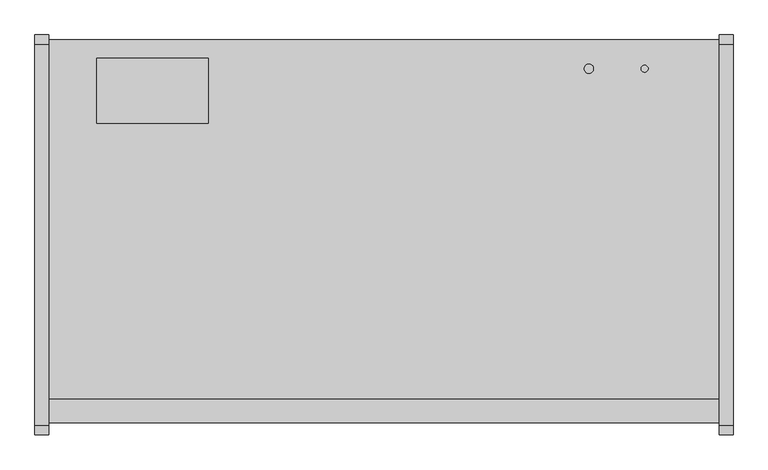
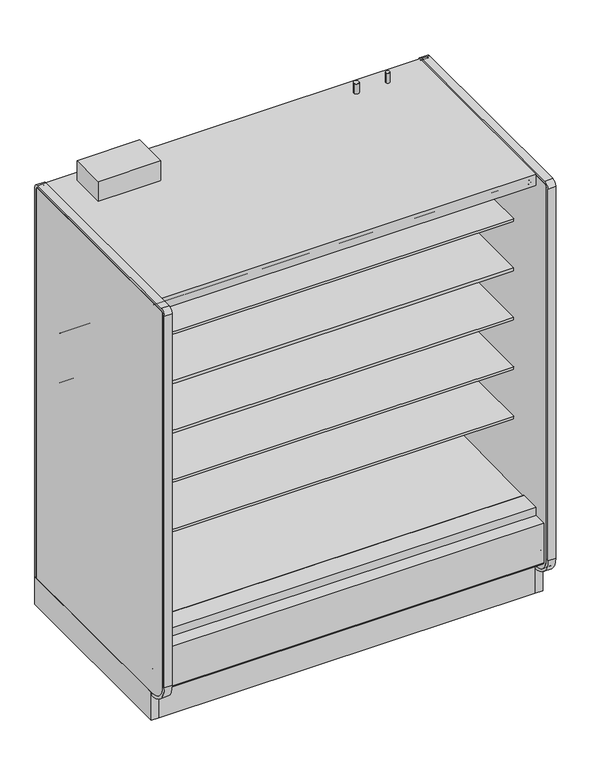
"""IFC4 building model written with IfcOpenShell, lengths in millimetres: proxy geometry."""

from ifc_helpers import new_model, si_unit, point, frame, frame_2d, origin, origin_with_axes, place, context, project, spatial, polyline, circle_curve, trimmed, segment, composite_curve, outline, extrude, source, transform, mapped, element, save
from ifc_brep_helpers import plane_surface, cylinder_surface, revolved_surface, advanced_brep


def mechanical_equipment_5739b397(model_context):
    return source(origin(), model_context, "Body", "SolidModel", [
        extrude(outline(composite_curve([segment(trimmed(circle_curve(frame_2d((1625.6, -428.3821273)), 9.525), [point((1616.075, -428.3821273))], [point((1635.125, -428.3821273))], False, "CARTESIAN"), True, "CONTINUOUS"), segment(trimmed(circle_curve(frame_2d((1625.6, -428.3821273)), 9.525), [point((1635.125, -428.3821273))], [point((1616.075, -428.3821273))], False, "CARTESIAN"), True, "CONTINUOUS")], self_intersect=False)), frame((0.0, 0.0, 2160.0010137), z_axis=(0.0, 0.0, 1.0), x_axis=(1.0, 0.0, 0.0)), (0.0, 0.0, 1.0), 50.8),
        extrude(outline(composite_curve([segment(trimmed(circle_curve(frame_2d((1473.2, -428.3821273)), 12.7), [point((1460.5, -428.3821273))], [point((1485.9, -428.3821273))], False, "CARTESIAN"), True, "CONTINUOUS"), segment(trimmed(circle_curve(frame_2d((1473.2, -428.3821273)), 12.7), [point((1485.9, -428.3821273))], [point((1460.5, -428.3821273))], False, "CARTESIAN"), True, "CONTINUOUS")], self_intersect=False)), frame((0.0, 0.0, 2160.0010137), z_axis=(0.0, 0.0, 1.0), x_axis=(1.0, 0.0, 0.0)), (0.0, 0.0, 1.0), 50.8),
        extrude(outline(composite_curve([segment(polyline([(-1139.652044, 788.1304004), (-1139.652044, 801.6241504), (-453.852044, 801.6241504), (-453.852044, 700.8188557), (-465.2157046, 700.5975577)]), True, "CONTINUOUS"), segment(trimmed(circle_curve(frame_2d((-465.7036503, 725.6535856)), 25.0607786), [point((-465.2157046, 700.5975577))], [point((-481.6109729, 706.2886764))], False, "CARTESIAN"), True, "CONTINUOUS"), segment(polyline([(-481.6109729, 706.2886764), (-519.8326735, 737.3719449)]), True, "CONTINUOUS"), segment(trimmed(circle_curve(frame_2d((-559.8971466, 688.1064601)), 63.5), [point((-519.8326735, 737.3719449))], [point((-553.0441372, 751.2355839))], True, "CARTESIAN"), True, "CONTINUOUS"), segment(polyline([(-553.0441372, 751.2355839), (-968.6518104, 783.846074), (-968.6518104, 788.1304004), (-1139.652044, 788.1304004)]), True, "CONTINUOUS")], self_intersect=False)), frame((0.0, 0.0, 0.0), z_axis=(1.0, 0.0, 0.0), x_axis=(0.0, 1.0, 0.0)), (0.0, 0.0, 1.0), 1828.8),
        extrude(outline(composite_curve([segment(polyline([(-1139.652044, 1042.1304004), (-1139.652044, 1055.6241504), (-453.852044, 1055.6241504), (-453.852044, 954.8188557), (-465.2157046, 954.5975577)]), True, "CONTINUOUS"), segment(trimmed(circle_curve(frame_2d((-465.7036503, 979.6535856)), 25.0607786), [point((-465.2157046, 954.5975577))], [point((-481.6109729, 960.2886764))], False, "CARTESIAN"), True, "CONTINUOUS"), segment(polyline([(-481.6109729, 960.2886764), (-519.8326735, 991.3719449)]), True, "CONTINUOUS"), segment(trimmed(circle_curve(frame_2d((-559.8971466, 942.1064601)), 63.5), [point((-519.8326735, 991.3719449))], [point((-553.0441372, 1005.2355839))], True, "CARTESIAN"), True, "CONTINUOUS"), segment(polyline([(-553.0441372, 1005.2355839), (-968.6518104, 1037.846074), (-968.6518104, 1042.1304004), (-1139.652044, 1042.1304004)]), True, "CONTINUOUS")], self_intersect=False)), frame((0.0, 0.0, 0.0), z_axis=(1.0, 0.0, 0.0), x_axis=(0.0, 1.0, 0.0)), (0.0, 0.0, 1.0), 1828.8),
        extrude(outline(composite_curve([segment(polyline([(-1139.652044, 1296.1304004), (-1139.652044, 1309.6241504), (-453.852044, 1309.6241504), (-453.852044, 1208.8188557), (-465.2157046, 1208.5975577)]), True, "CONTINUOUS"), segment(trimmed(circle_curve(frame_2d((-465.7036503, 1233.6535856)), 25.0607786), [point((-465.2157046, 1208.5975577))], [point((-481.6109729, 1214.2886764))], False, "CARTESIAN"), True, "CONTINUOUS"), segment(polyline([(-481.6109729, 1214.2886764), (-519.8326735, 1245.3719449)]), True, "CONTINUOUS"), segment(trimmed(circle_curve(frame_2d((-559.8971466, 1196.1064601)), 63.5), [point((-519.8326735, 1245.3719449))], [point((-553.0441372, 1259.2355839))], True, "CARTESIAN"), True, "CONTINUOUS"), segment(polyline([(-553.0441372, 1259.2355839), (-968.6518104, 1291.846074), (-968.6518104, 1296.1304004), (-1139.652044, 1296.1304004)]), True, "CONTINUOUS")], self_intersect=False)), frame((0.0, 0.0, 0.0), z_axis=(1.0, 0.0, 0.0), x_axis=(0.0, 1.0, 0.0)), (0.0, 0.0, 1.0), 1828.8),
        extrude(outline(composite_curve([segment(polyline([(-1139.652044, 1550.1304004), (-1139.652044, 1563.6241504), (-453.852044, 1563.6241504), (-453.852044, 1462.8188557), (-465.2157046, 1462.5975577)]), True, "CONTINUOUS"), segment(trimmed(circle_curve(frame_2d((-465.7036503, 1487.6535856)), 25.0607786), [point((-465.2157046, 1462.5975577))], [point((-481.6109729, 1468.2886764))], False, "CARTESIAN"), True, "CONTINUOUS"), segment(polyline([(-481.6109729, 1468.2886764), (-519.8326735, 1499.3719449)]), True, "CONTINUOUS"), segment(trimmed(circle_curve(frame_2d((-559.8971466, 1450.1064601)), 63.5), [point((-519.8326735, 1499.3719449))], [point((-553.0441372, 1513.2355839))], True, "CARTESIAN"), True, "CONTINUOUS"), segment(polyline([(-553.0441372, 1513.2355839), (-968.6518104, 1545.846074), (-968.6518104, 1550.1304004), (-1139.652044, 1550.1304004)]), True, "CONTINUOUS")], self_intersect=False)), frame((0.0, 0.0, 0.0), z_axis=(1.0, 0.0, 0.0), x_axis=(0.0, 1.0, 0.0)), (0.0, 0.0, 1.0), 1828.8),
        extrude(outline(composite_curve([segment(polyline([(-632.8965773, 2077.3701079), (-1202.1056471, 2077.3701079), (-1202.0779553, 2079.0129758), (-1258.0451873, 2083.4966948), (-1258.0451873, 2075.9223079)]), True, "CONTINUOUS"), segment(trimmed(circle_curve(frame_2d((-1260.5851873, 2075.9223079)), 2.54), [point((-1258.0451873, 2075.9223079))], [point((-1260.5851873, 2073.3823079))], False, "CARTESIAN"), True, "CONTINUOUS"), segment(polyline([(-1260.5851873, 2073.3823079), (-1269.8053873, 2073.3823079)]), True, "CONTINUOUS"), segment(trimmed(circle_curve(frame_2d((-1269.8053873, 2075.9223079)), 2.54), [point((-1269.8053873, 2073.3823079))], [point((-1272.3453873, 2075.9223079))], False, "CARTESIAN"), True, "CONTINUOUS"), segment(polyline([(-1272.3453873, 2075.9223079), (-1272.3453873, 2092.9469554)]), True, "CONTINUOUS"), segment(trimmed(circle_curve(frame_2d((-1274.8853873, 2092.9469554)), 2.54), [point((-1272.3453873, 2092.9469554))], [point((-1274.8853873, 2095.4869554))], True, "CARTESIAN"), True, "CONTINUOUS"), segment(polyline([(-1274.8853873, 2095.4869554), (-1288.8553873, 2095.4869554)]), True, "CONTINUOUS"), segment(trimmed(circle_curve(frame_2d((-1288.8553873, 2098.0269554)), 2.54), [point((-1288.8553873, 2095.4869554))], [point((-1291.3953873, 2098.0269554))], False, "CARTESIAN"), True, "CONTINUOUS"), segment(polyline([(-1291.3953873, 2098.0269554), (-1291.3953873, 2102.7701079), (-402.3474764, 2102.7701079), (-402.3474764, 418.2554484), (-453.852044, 418.2554484), (-453.852044, 2054.7594138)]), True, "CONTINUOUS"), segment(trimmed(circle_curve(frame_2d((-476.4627381, 2054.7594138)), 22.6106941), [point((-453.852044, 2054.7594138))], [point((-476.4627381, 2077.3701079))], True, "CARTESIAN"), True, "CONTINUOUS"), segment(polyline([(-476.4627381, 2077.3701079), (-632.8965773, 2077.3701079)]), True, "CONTINUOUS")], self_intersect=False)), frame((0.0, 0.0, 0.0), z_axis=(1.0, 0.0, 0.0), x_axis=(0.0, 1.0, 0.0)), (0.0, 0.0, 1.0), 1828.8),
        extrude(outline(polyline([(673.1, -1207.3278954), (673.1, -1296.2278954), (368.3, -1296.2278954), (368.3, -1207.3278954), (673.1, -1207.3278954)])), frame((0.0, 0.0, 44.45), z_axis=(0.0, 0.0, 1.0), x_axis=(1.0, 0.0, 0.0)), (0.0, 0.0, 1.0), 6.35),
        advanced_brep(
        [(1828.8, -1318.106026, 204.9450868), (1828.8, -1318.106026, 0.0), (1828.8, -1154.5934832, 0.0), (1828.8, -1154.5934832, 130.5306), (1828.8, -1226.6745247, 130.5306), (1828.8, -1377.1737273, 256.8144254), (1828.8, -1377.1737273, 391.9982), (1828.8, -1326.8776974, 391.9982), (1828.8, -1326.8776974, 404.6728), (1828.8, -1393.9631273, 404.6728), (1828.8, -1393.9631273, 201.3982889), (1828.8, -1384.4389382, 195.8985595), (1828.8, -1339.6997646, 221.7199387), (0.0, -1318.106026, 204.9450868), (0.0, -1339.6997646, 221.7199387), (0.0, -1384.4389382, 195.8985595), (0.0, -1393.9631273, 201.3982889), (0.0, -1393.9631273, 404.6728), (0.0, -1326.8776974, 404.6728), (0.0, -1326.8776974, 391.9982), (0.0, -1377.1737273, 391.9982), (0.0, -1377.1737273, 256.8144254), (0.0, -1226.6745247, 130.5306), (0.0, -1154.5934832, 130.5306), (0.0, -1154.5934832, 0.0), (0.0, -1318.106026, 0.0), (677.9753763, -1301.1164467, 0.0), (677.9753763, -1203.5310315, 0.0), (363.1798722, -1203.5310315, 0.0), (363.1798722, -1301.1164467, 0.0), (677.9753763, -1301.1164467, 50.8), (677.9753763, -1203.5310315, 50.8), (363.1798722, -1203.5310315, 50.8), (363.1798722, -1301.1164467, 50.8)],
        [
            (0, 1),
            (1, 2),
            (2, 3),
            (3, 4),
            (4, 5),
            (5, 6),
            (6, 7),
            (7, 8),
            (8, 9),
            (9, 10),
            (10, 11, circle_curve(frame((1828.8, -1387.6131273, 201.3982889), z_axis=(1.0, 0.0, 0.0), x_axis=(0.0, 1.0, 0.0)), 6.35)),
            (11, 12),
            (12, 0),
            (13, 14),
            (14, 15),
            (15, 16, circle_curve(frame((0.0, -1387.6131273, 201.3982889), z_axis=(-1.0, 0.0, 0.0), x_axis=(0.0, 1.0, 0.0)), 6.35)),
            (16, 17),
            (17, 18),
            (18, 19),
            (19, 20),
            (20, 21),
            (21, 22),
            (22, 23),
            (23, 24),
            (24, 25),
            (25, 13),
            (0, 13),
            (25, 1),
            (24, 2),
            (26, 27),
            (27, 28),
            (28, 29),
            (29, 26),
            (23, 3),
            (22, 4),
            (21, 5),
            (20, 6),
            (19, 7),
            (18, 8),
            (17, 9),
            (16, 10),
            (15, 11),
            (14, 12),
            (26, 30),
            (30, 31),
            (31, 27),
            (28, 32),
            (32, 33),
            (33, 29),
            (31, 32),
            (30, 33),
        ],
        [
            plane_surface(frame((1828.8, -1318.106026, 0.0), z_axis=(1.0, 0.0, 0.0), x_axis=(0.0, 0.0, -1.0))),
            plane_surface(frame((0.0, -1318.106026, 0.0), z_axis=(-1.0, 0.0, 0.0), x_axis=(0.0, 0.0, 1.0))),
            plane_surface(frame((1828.8, -1318.106026, 204.9450868), z_axis=(0.0, -1.0, 0.0), x_axis=(-1.0, 0.0, 0.0))),
            plane_surface(frame((1828.8, -1318.106026, 0.0), z_axis=(0.0, 0.0, -1.0), x_axis=(-1.0, 0.0, 0.0))),
            plane_surface(frame((1828.8, -1154.5934832, 0.0), z_axis=(0.0, 1.0, 0.0), x_axis=(-1.0, 0.0, 0.0))),
            plane_surface(frame((1828.8, -1154.5934832, 130.5306), z_axis=(0.0, 0.0, 1.0), x_axis=(-1.0, 0.0, 0.0))),
            plane_surface(frame((1828.8, -1226.6745247, 130.5306), z_axis=(0.0, 0.6427876096877188, 0.7660444431179884), x_axis=(-1.0, 0.0, 0.0))),
            plane_surface(frame((1828.8, -1377.1737273, 256.8144254), z_axis=(0.0, 1.0, 0.0), x_axis=(-1.0, 0.0, 0.0))),
            plane_surface(frame((1828.8, -1377.1737273, 391.9982), z_axis=(0.0, 0.0, -1.0), x_axis=(-1.0, 0.0, 0.0))),
            plane_surface(frame((1828.8, -1326.8776974, 391.9982), z_axis=(0.0, 1.0, 0.0), x_axis=(-1.0, 0.0, 0.0))),
            plane_surface(frame((1828.8, -1326.8776974, 404.6728), z_axis=(0.0, 0.0, 1.0), x_axis=(-1.0, 0.0, 0.0))),
            plane_surface(frame((1828.8, -1393.9631273, 404.6728), z_axis=(0.0, -1.0, 0.0), x_axis=(-1.0, 0.0, 0.0))),
            cylinder_surface(frame((0.0, -1387.6131273, 201.3982889), z_axis=(1.0, 0.0, 0.0), x_axis=(0.0, 1.0, 0.0)), 6.35),
            plane_surface(frame((1828.8, -1384.4389382, 195.8985595), z_axis=(0.0, 0.4998723022013517, -0.8660991175910068), x_axis=(-1.0, 0.0, 0.0))),
            plane_surface(frame((1828.8, -1339.6997646, 221.7199387), z_axis=(0.0, -0.6134784338805639, -0.7897114733644501), x_axis=(-1.0, 0.0, 0.0))),
            plane_surface(frame((677.9753763, -1207.3278954, 0.0), z_axis=(-1.0, 0.0, 0.0), x_axis=(0.0, 1.0, 0.0))),
            plane_surface(frame((363.1798722, -1207.3278954, 0.0), z_axis=(1.0, 0.0, 0.0), x_axis=(0.0, -1.0, 0.0))),
            plane_surface(frame((677.9753763, -1203.5310315, 0.0), z_axis=(0.0, -1.0, 0.0), x_axis=(-1.0, 0.0, 0.0))),
            plane_surface(frame((677.9753763, -1203.5310315, 50.8), z_axis=(0.0, 0.0, -1.0), x_axis=(-1.0, 0.0, 0.0))),
            plane_surface(frame((677.9753763, -1301.1164467, 50.8), z_axis=(0.0, 1.0, 0.0), x_axis=(-1.0, 0.0, 0.0))),
        ],
        [
            (0, [[1, 2, 3, 4, 5, 6, 7, 8, 9, 10, 11, 12, 13]]),
            (1, [[14, 15, 16, 17, 18, 19, 20, 21, 22, 23, 24, 25, 26]]),
            (2, [[-1, 27, -26, 28]]),
            (3, [[-2, -28, -25, 29], [30, 31, 32, 33]]),
            (4, [[-3, -29, -24, 34]]),
            (5, [[-4, -34, -23, 35]]),
            (6, [[-5, -35, -22, 36]]),
            (7, [[-6, -36, -21, 37]]),
            (8, [[-7, -37, -20, 38]]),
            (9, [[-8, -38, -19, 39]]),
            (10, [[-9, -39, -18, 40]]),
            (11, [[-10, -40, -17, 41]]),
            (12, [[-11, -41, -16, 42]]),
            (13, [[-12, -42, -15, 43]]),
            (14, [[-13, -43, -14, -27]]),
            (15, [[44, 45, 46, -30]]),
            (16, [[47, 48, 49, -32]]),
            (17, [[-46, 50, -47, -31]]),
            (18, [[-45, 51, -48, -50]]),
            (19, [[-44, -33, -49, -51]]),
        ],
    ),
        extrude(outline(composite_curve([segment(trimmed(circle_curve(frame_2d((354.0125, 1752.6)), 12.7), [point((341.3125, 1752.6))], [point((366.7125, 1752.6))], False, "CARTESIAN"), True, "CONTINUOUS"), segment(trimmed(circle_curve(frame_2d((354.0125, 1752.6)), 12.7), [point((366.7125, 1752.6))], [point((341.3125, 1752.6))], False, "CARTESIAN"), True, "CONTINUOUS")], self_intersect=False)), frame((0.0, -399.8071273, 0.0), z_axis=(0.0, 1.0, 0.0), x_axis=(0.0, 0.0, 1.0)), (0.0, 0.0, 1.0), 50.8),
        extrude(outline(composite_curve([segment(trimmed(circle_curve(frame_2d((354.0125, 1701.8)), 9.525), [point((344.4875, 1701.8))], [point((363.5375, 1701.8))], False, "CARTESIAN"), True, "CONTINUOUS"), segment(trimmed(circle_curve(frame_2d((354.0125, 1701.8)), 9.525), [point((363.5375, 1701.8))], [point((344.4875, 1701.8))], False, "CARTESIAN"), True, "CONTINUOUS")], self_intersect=False)), frame((0.0, -399.8071273, 0.0), z_axis=(0.0, 1.0, 0.0), x_axis=(0.0, 0.0, 1.0)), (0.0, 0.0, 1.0), 50.8),
        advanced_brep(
        [(1828.8, -349.0071273, 130.5306), (1828.8, -349.0071273, 2159.0692079), (1828.8, -1328.759197, 2159.0692079), (1828.8, -1328.759197, 2102.7701079), (1828.8, -402.3474764, 2102.7701079), (1828.8, -402.3474764, 358.6596808), (1828.8, -549.3331942, 211.7249958), (1828.8, -991.2928374, 196.2548056), (1828.8, -1033.515372, 165.5831237), (1828.8, -1035.4689267, 165.5149041), (1828.8, -1048.6488905, 157.9054484), (1828.8, -1108.9738905, 157.9054484), (1828.8, -1117.2097949, 162.6604501), (1828.8, -1119.3438463, 162.5859274), (1828.8, -1169.010644, 190.034038), (1828.8, -1325.2901974, 342.4428), (1828.8, -1325.2901974, 391.9982), (1828.8, -1377.1737273, 391.9982), (1828.8, -1377.1737273, 256.8144254), (1828.8, -1226.6745247, 130.5306), (0.0, -349.0071273, 130.5306), (0.0, -1226.6745247, 130.5306), (0.0, -1377.1737273, 256.8144254), (0.0, -1377.1737273, 391.9982), (0.0, -1325.2901974, 391.9982), (0.0, -1325.2901974, 342.4428), (0.0, -1169.010644, 190.034038), (0.0, -1119.3438463, 162.5859274), (0.0, -1117.2097949, 162.6604501), (0.0, -1108.9738905, 157.9054484), (0.0, -1048.6488905, 157.9054484), (0.0, -1035.4689267, 165.5149041), (0.0, -1033.515372, 165.5831237), (0.0, -991.2928374, 196.2548056), (0.0, -549.3331942, 211.7249958), (0.0, -402.3474764, 358.6596808), (0.0, -402.3474764, 2102.7701079), (0.0, -1328.759197, 2102.7701079), (0.0, -1328.759197, 2159.0692079), (0.0, -349.0071273, 2159.0692079), (1727.2, -349.0071273, 303.2125), (1727.2, -349.0071273, 404.8125), (1727.2, -399.8071273, 404.8125), (1727.2, -399.8071273, 303.2125)],
        [
            (0, 1),
            (1, 2),
            (2, 3),
            (3, 4),
            (4, 5),
            (5, 6, circle_curve(frame((1828.8, -554.6779329, 364.0573175), z_axis=(-1.0, 0.0, 0.0), x_axis=(0.0, 1.0, 0.0)), 152.4260557)),
            (6, 7),
            (7, 8),
            (8, 9),
            (9, 10),
            (10, 11),
            (11, 12),
            (12, 13),
            (13, 14),
            (14, 15, circle_curve(frame((1828.8, -1174.2931139, 340.9461144), z_axis=(-1.0, 0.0, 0.0), x_axis=(0.0, 1.0, 0.0)), 151.0045009)),
            (15, 16),
            (16, 17),
            (17, 18),
            (18, 19),
            (19, 0),
            (20, 21),
            (21, 22),
            (22, 23),
            (23, 24),
            (24, 25),
            (25, 26, circle_curve(frame((0.0, -1174.2931139, 340.9461144), z_axis=(1.0, 0.0, 0.0), x_axis=(0.0, 1.0, 0.0)), 151.0045009)),
            (26, 27),
            (27, 28),
            (28, 29),
            (29, 30),
            (30, 31),
            (31, 32),
            (32, 33),
            (33, 34),
            (34, 35, circle_curve(frame((0.0, -554.6779329, 364.0573175), z_axis=(1.0, 0.0, 0.0), x_axis=(0.0, 1.0, 0.0)), 152.4260557)),
            (35, 36),
            (36, 37),
            (37, 38),
            (38, 39),
            (39, 20),
            (0, 20),
            (39, 1),
            (40, 41, circle_curve(frame((1727.2, -349.0071273, 354.0125), z_axis=(0.0, -1.0, 0.0), x_axis=(0.0, 0.0, -1.0)), 50.8)),
            (41, 40, circle_curve(frame((1727.2, -349.0071273, 354.0125), z_axis=(0.0, -1.0, 0.0), x_axis=(0.0, 0.0, -1.0)), 50.8)),
            (38, 2),
            (37, 3),
            (36, 4),
            (6, 34),
            (33, 7),
            (32, 8),
            (31, 9),
            (30, 10),
            (29, 11),
            (28, 12),
            (27, 13),
            (26, 14),
            (25, 15),
            (24, 16),
            (23, 17),
            (22, 18),
            (21, 19),
            (35, 5),
            (42, 43, circle_curve(frame((1727.2, -399.8071273, 354.0125), z_axis=(0.0, 1.0, 0.0), x_axis=(0.0, 0.0, -1.0)), 50.8)),
            (43, 42, circle_curve(frame((1727.2, -399.8071273, 354.0125), z_axis=(0.0, 1.0, 0.0), x_axis=(0.0, 0.0, -1.0)), 50.8)),
            (42, 41),
            (40, 43),
        ],
        [
            plane_surface(frame((1828.8, -349.0071273, 2154.3067079), z_axis=(1.0, 0.0, 0.0), x_axis=(0.0, 0.0, 1.0))),
            plane_surface(frame((0.0, -349.0071273, 2154.3067079), z_axis=(-1.0, 0.0, 0.0), x_axis=(0.0, 0.0, -1.0))),
            plane_surface(frame((1828.8, -349.0071273, 130.5306), z_axis=(0.0, 1.0, 0.0), x_axis=(-1.0, 0.0, 0.0))),
            plane_surface(frame((1828.8, -349.0071273, 2159.0692079), z_axis=(0.0, 0.0, 1.0), x_axis=(-1.0, 0.0, 0.0))),
            plane_surface(frame((1828.8, -1328.759197, 2159.0692079), z_axis=(0.0, -1.0, 0.0), x_axis=(-1.0, 0.0, 0.0))),
            plane_surface(frame((1828.8, -1328.759197, 2102.7701079), z_axis=(0.0, 0.0, -1.0), x_axis=(-1.0, 0.0, 0.0))),
            plane_surface(frame((1828.8, -549.3331942, 211.7249958), z_axis=(0.0, -0.03498220179415916, 0.9993879354673203), x_axis=(-1.0, 0.0, 0.0))),
            plane_surface(frame((1828.8, -991.2928374, 196.2548056), z_axis=(0.0, -0.5877252382161511, 0.8090605937528836), x_axis=(-1.0, 0.0, 0.0))),
            plane_surface(frame((1828.8, -1033.515372, 165.5831237), z_axis=(0.0, -0.034899496717989933, 0.9993908270185549), x_axis=(-1.0, 0.0, 0.0))),
            plane_surface(frame((1828.8, -1035.4689267, 165.5149041), z_axis=(0.0, -0.5000000000128472, 0.8660254037770214), x_axis=(-1.0, 0.0, 0.0))),
            plane_surface(frame((1828.8, -1048.6488905, 157.9054484), z_axis=(0.0, 0.0, 1.0), x_axis=(-1.0, 0.0, 0.0))),
            plane_surface(frame((1828.8, -1108.9738905, 157.9054484), z_axis=(0.0, 0.49999999998692984, 0.8660254037919848), x_axis=(-1.0, 0.0, 0.0))),
            plane_surface(frame((1828.8, -1117.2097949, 162.6604501), z_axis=(0.0, -0.03489949671806632, 0.9993908270185522), x_axis=(-1.0, 0.0, 0.0))),
            plane_surface(frame((1828.8, -1119.3438463, 162.5859274), z_axis=(0.0, 0.483695152932422, 0.8752365389023021), x_axis=(-1.0, 0.0, 0.0))),
            revolved_surface(polyline([(0.0, -1023.2886129999999, 340.9461144), (1828.8, -1023.2886129999999, 340.9461144)]), (0.0, -1174.2931139, 340.9461144), (-1.0, 0.0, 0.0)),
            plane_surface(frame((1828.8, -1325.2901974, 342.4428), z_axis=(0.0, 1.0, 0.0), x_axis=(-1.0, 0.0, 0.0))),
            plane_surface(frame((1828.8, -1325.2901974, 391.9982), z_axis=(0.0, 0.0, 1.0), x_axis=(-1.0, 0.0, 0.0))),
            plane_surface(frame((1828.8, -1377.1737273, 391.9982), z_axis=(0.0, -1.0, 0.0), x_axis=(-1.0, 0.0, 0.0))),
            plane_surface(frame((1828.8, -1377.1737273, 256.8144254), z_axis=(0.0, -0.6427876096877191, -0.7660444431179881), x_axis=(-1.0, 0.0, 0.0))),
            plane_surface(frame((1828.8, -1226.6745247, 130.5306), z_axis=(0.0, 0.0, -1.0), x_axis=(-1.0, 0.0, 0.0))),
            plane_surface(frame((1828.8, -402.3474764, 2102.7701079), z_axis=(0.0, -1.0, 0.0), x_axis=(-1.0, 0.0, 0.0))),
            revolved_surface(polyline([(0.0, -402.25187719999997, 364.0573175), (1828.8, -402.25187719999997, 364.0573175)]), (0.0, -554.6779329, 364.0573175), (-1.0, 0.0, 0.0)),
            plane_surface(frame((1727.2, -399.8071273, 303.2125), z_axis=(0.0, 1.0, 0.0), x_axis=(1.0, 0.0, 0.0))),
            revolved_surface(polyline([(1727.2, -349.0071273, 303.2125), (1727.2, -399.8071273, 303.2125)]), (1727.2, -399.8071273, 354.0125), (0.0, 1.0, 0.0)),
        ],
        [
            (0, [[1, 2, 3, 4, 5, 6, 7, 8, 9, 10, 11, 12, 13, 14, 15, 16, 17, 18, 19, 20]]),
            (1, [[21, 22, 23, 24, 25, 26, 27, 28, 29, 30, 31, 32, 33, 34, 35, 36, 37, 38, 39, 40]]),
            (2, [[-1, 41, -40, 42], [43, 44]]),
            (3, [[-2, -42, -39, 45]]),
            (4, [[-3, -45, -38, 46]]),
            (5, [[-4, -46, -37, 47]]),
            (6, [[-7, 48, -34, 49]]),
            (7, [[-8, -49, -33, 50]]),
            (8, [[-9, -50, -32, 51]]),
            (9, [[-10, -51, -31, 52]]),
            (10, [[-11, -52, -30, 53]]),
            (11, [[-12, -53, -29, 54]]),
            (12, [[-13, -54, -28, 55]]),
            (13, [[-14, -55, -27, 56]]),
            (14, [[-15, -56, -26, 57]]),
            (15, [[-16, -57, -25, 58]]),
            (16, [[-17, -58, -24, 59]]),
            (17, [[-18, -59, -23, 60]]),
            (18, [[-19, -60, -22, 61]]),
            (19, [[-20, -61, -21, -41]]),
            (20, [[-5, -47, -36, 62]]),
            (21, [[-6, -62, -35, -48]]),
            (22, [[63, 64]]),
            (23, [[-63, 65, -43, 66]]),
            (23, [[-64, -66, -44, -65]]),
        ],
    ),
        extrude(outline(composite_curve([segment(trimmed(circle_curve(frame_2d((914.4, -1072.9071273)), 38.1), [point((876.3, -1072.9071273))], [point((952.5, -1072.9071273))], False, "CARTESIAN"), True, "CONTINUOUS"), segment(trimmed(circle_curve(frame_2d((914.4, -1072.9071273)), 38.1), [point((952.5, -1072.9071273))], [point((876.3, -1072.9071273))], False, "CARTESIAN"), True, "CONTINUOUS")], self_intersect=False)), frame((0.0, 0.0, 61.2666507), z_axis=(0.0, 0.0, 1.0), x_axis=(1.0, 0.0, 0.0)), (0.0, 0.0, 1.0), 65.7333493),
        extrude(outline(composite_curve([segment(trimmed(circle_curve(frame_2d((1633.5375, -1076.0821273)), 12.7), [point((1620.8375, -1076.0821273))], [point((1646.2375, -1076.0821273))], False, "CARTESIAN"), True, "CONTINUOUS"), segment(trimmed(circle_curve(frame_2d((1633.5375, -1076.0821273)), 12.7), [point((1646.2375, -1076.0821273))], [point((1620.8375, -1076.0821273))], False, "CARTESIAN"), True, "CONTINUOUS")], self_intersect=False)), frame((0.0, 0.0, 61.2666507), z_axis=(0.0, 0.0, 1.0), x_axis=(1.0, 0.0, 0.0)), (0.0, 0.0, 1.0), 65.7333493),
        extrude(outline(composite_curve([segment(trimmed(circle_curve(frame_2d((1582.7375, -1076.0821273)), 9.525), [point((1573.2125, -1076.0821273))], [point((1592.2625, -1076.0821273))], False, "CARTESIAN"), True, "CONTINUOUS"), segment(trimmed(circle_curve(frame_2d((1582.7375, -1076.0821273)), 9.525), [point((1592.2625, -1076.0821273))], [point((1573.2125, -1076.0821273))], False, "CARTESIAN"), True, "CONTINUOUS")], self_intersect=False)), frame((0.0, 0.0, 61.2666507), z_axis=(0.0, 0.0, 1.0), x_axis=(1.0, 0.0, 0.0)), (0.0, 0.0, 1.0), 65.7333493),
        advanced_brep(
        [(1828.8, -349.0071273, 0.0), (1828.8, -349.0071273, 130.5306), (1828.8, -1154.5934832, 130.5306), (1828.8, -1154.5934832, 0.0), (1828.8, -1108.6576273, 0.0), (1828.8, -1108.6576273, 74.8810382), (1828.8, -394.2191273, 74.8810382), (1828.8, -394.2191273, 0.0), (0.0, -349.0071273, 0.0), (0.0, -394.2191273, 0.0), (0.0, -394.2191273, 74.8810382), (0.0, -1108.6576273, 74.8810382), (0.0, -1108.6576273, 0.0), (0.0, -1154.5934832, 0.0), (0.0, -1154.5934832, 130.5306), (0.0, -349.0071273, 130.5306), (878.3092567, -1108.6576273, 74.8810382), (878.3092567, -1108.6576273, 127.0), (950.4907433, -1108.6576273, 127.0), (950.4907433, -1108.6576273, 74.8810382), (1569.1570331, -1108.6576273, 74.8810382), (1569.1570331, -1108.6576273, 127.0), (1647.1179669, -1108.6576273, 127.0), (1647.1179669, -1108.6576273, 74.8810382)],
        [
            (0, 1),
            (1, 2),
            (2, 3),
            (3, 4),
            (4, 5),
            (5, 6),
            (6, 7),
            (7, 0),
            (8, 9),
            (9, 10),
            (10, 11),
            (11, 12),
            (12, 13),
            (13, 14),
            (14, 15),
            (15, 8),
            (0, 8),
            (15, 1),
            (14, 2),
            (13, 3),
            (12, 4),
            (11, 16),
            (16, 17),
            (17, 18),
            (18, 19),
            (19, 20),
            (20, 21),
            (21, 22),
            (22, 23),
            (23, 5),
            (23, 20, circle_curve(frame((1608.1375, -1076.0821273, 74.8810382), z_axis=(0.0, 0.0, 1.0), x_axis=(1.0, 0.0, 0.0)), 50.8)),
            (19, 16, circle_curve(frame((914.4, -1072.9071273, 74.8810382), z_axis=(0.0, 0.0, 1.0), x_axis=(1.0, 0.0, 0.0)), 50.8)),
            (10, 6),
            (9, 7),
            (17, 18, circle_curve(frame((914.4, -1072.9071273, 127.0), z_axis=(0.0, 0.0, -1.0), x_axis=(1.0, 0.0, 0.0)), 50.8)),
            (21, 22, circle_curve(frame((1608.1375, -1076.0821273, 127.0), z_axis=(0.0, 0.0, -1.0), x_axis=(1.0, 0.0, 0.0)), 50.8)),
        ],
        [
            plane_surface(frame((1828.8, -349.0071273, 2438.4), z_axis=(1.0, 0.0, 0.0), x_axis=(0.0, 0.0, 1.0))),
            plane_surface(frame((0.0, -349.0071273, 2438.4), z_axis=(-1.0, 0.0, 0.0), x_axis=(0.0, 0.0, -1.0))),
            plane_surface(frame((1828.8, -349.0071273, 0.0), z_axis=(0.0, 1.0, 0.0), x_axis=(-1.0, 0.0, 0.0))),
            plane_surface(frame((1828.8, -349.0071273, 130.5306), z_axis=(0.0, 0.0, 1.0), x_axis=(-1.0, 0.0, 0.0))),
            plane_surface(frame((1828.8, -1154.5934832, 130.5306), z_axis=(0.0, -1.0, 0.0), x_axis=(-1.0, 0.0, 0.0))),
            plane_surface(frame((1828.8, -1154.5934832, 0.0), z_axis=(0.0, 0.0, -1.0), x_axis=(-1.0, 0.0, 0.0))),
            plane_surface(frame((1828.8, -1108.6576273, 0.0), z_axis=(0.0, 1.0, 0.0), x_axis=(-1.0, 0.0, 0.0))),
            plane_surface(frame((1828.8, -1108.6576273, 74.8810382), z_axis=(0.0, 0.0, -1.0), x_axis=(-1.0, 0.0, 0.0))),
            plane_surface(frame((1828.8, -394.2191273, 74.8810382), z_axis=(0.0, -1.0, 0.0), x_axis=(-1.0, 0.0, 0.0))),
            plane_surface(frame((1828.8, -394.2191273, 0.0), z_axis=(0.0, 0.0, -1.0), x_axis=(-1.0, 0.0, 0.0))),
            plane_surface(frame((950.4907433, -1108.6576273, 127.0), z_axis=(0.0, 0.0, -1.0), x_axis=(1.0, 0.0, 0.0))),
            revolved_surface(polyline([(965.1999999999999, -1072.9071273, 127.0), (965.1999999999999, -1072.9071273, 74.8810382)]), (914.4, -1072.9071273, 0.0), (0.0, 0.0, 1.0)),
            plane_surface(frame((1647.1179669, -1108.6576273, 127.0), z_axis=(0.0, 0.0, -1.0), x_axis=(1.0, 0.0, 0.0))),
            revolved_surface(polyline([(1658.9375, -1076.0821273, 127.0), (1658.9375, -1076.0821273, 74.8810382)]), (1608.1375, -1076.0821273, 0.0), (0.0, 0.0, 1.0)),
        ],
        [
            (0, [[1, 2, 3, 4, 5, 6, 7, 8]]),
            (1, [[9, 10, 11, 12, 13, 14, 15, 16]]),
            (2, [[-1, 17, -16, 18]]),
            (3, [[-2, -18, -15, 19]]),
            (4, [[-3, -19, -14, 20]]),
            (5, [[21, -4, -20, -13]]),
            (6, [[-5, -21, -12, 22, 23, 24, 25, 26, 27, 28, 29, 30]]),
            (7, [[-6, -30, 31, -26, 32, -22, -11, 33]]),
            (8, [[-7, -33, -10, 34]]),
            (9, [[-8, -34, -9, -17]]),
            (10, [[35, -24]]),
            (11, [[-35, -23, -32, -25]]),
            (12, [[36, -28]]),
            (13, [[-36, -27, -31, -29]]),
        ],
    ),
        extrude(outline(composite_curve([segment(polyline([(-1139.652044, 1803.3473276), (-1139.652044, 1816.8410776), (-453.852044, 1816.8410776), (-453.852044, 1716.035783), (-465.2157046, 1715.814485)]), True, "CONTINUOUS"), segment(trimmed(circle_curve(frame_2d((-465.7036503, 1740.8705128)), 25.0607786), [point((-465.2157046, 1715.814485))], [point((-481.6109729, 1721.5056036))], False, "CARTESIAN"), True, "CONTINUOUS"), segment(polyline([(-481.6109729, 1721.5056036), (-519.8326735, 1752.5888722)]), True, "CONTINUOUS"), segment(trimmed(circle_curve(frame_2d((-559.8971466, 1703.3233874)), 63.5), [point((-519.8326735, 1752.5888722))], [point((-553.0441372, 1766.4525111))], True, "CARTESIAN"), True, "CONTINUOUS"), segment(polyline([(-553.0441372, 1766.4525111), (-968.6518104, 1799.0630012), (-968.6518104, 1803.3473276), (-1139.652044, 1803.3473276)]), True, "CONTINUOUS")], self_intersect=False)), frame((0.0, 0.0, 0.0), z_axis=(1.0, 0.0, 0.0), x_axis=(0.0, 1.0, 0.0)), (0.0, 0.0, 1.0), 1828.8),
        extrude(outline(polyline([(434.975, -399.8071273), (434.975, -577.6071273), (130.175, -577.6071273), (130.175, -399.8071273), (434.975, -399.8071273)])), frame((0.0, 0.0, 2160.0010137), z_axis=(0.0, 0.0, 1.0), x_axis=(1.0, 0.0, 0.0)), (0.0, 0.0, 1.0), 101.1788283),
        extrude(outline(composite_curve([segment(polyline([(-453.852044, 452.2592331), (-453.852044, 418.2554484), (-402.3474764, 418.2554484), (-402.3474764, 358.6596808)]), True, "CONTINUOUS"), segment(trimmed(circle_curve(frame_2d((-554.6779329, 364.0573175)), 152.4260557), [point((-402.3474764, 358.6596808))], [point((-549.3331942, 211.7249958))], False, "CARTESIAN"), True, "CONTINUOUS"), segment(polyline([(-549.3331942, 211.7249958), (-991.2928374, 196.2548056), (-1033.515372, 165.5831237), (-1035.4689267, 165.5149041), (-1048.6488905, 157.9054484), (-1108.9738905, 157.9054484), (-1117.2097949, 162.6604501), (-1119.3438463, 162.5859274), (-1169.010644, 190.034038)]), True, "CONTINUOUS"), segment(trimmed(circle_curve(frame_2d((-1174.2931139, 340.9461144)), 151.0045009), [point((-1169.010644, 190.034038))], [point((-1325.2901974, 342.4428))], False, "CARTESIAN"), True, "CONTINUOUS"), segment(polyline([(-1325.2901974, 342.4428), (-1325.2901974, 391.9982), (-1326.8776974, 391.9982), (-1326.8776974, 447.5353), (-1227.4661273, 447.5353)]), True, "CONTINUOUS"), segment(trimmed(circle_curve(frame_2d((-1227.4661273, 445.4779)), 2.0574), [point((-1227.4661273, 447.5353))], [point((-1225.4087273, 445.4779))], False, "CARTESIAN"), True, "CONTINUOUS"), segment(polyline([(-1225.4087273, 445.4779), (-1225.4087273, 438.3756667), (-453.852044, 452.2592331)]), True, "CONTINUOUS")], self_intersect=False)), frame((0.0, 0.0, 0.0), z_axis=(1.0, 0.0, 0.0), x_axis=(0.0, 1.0, 0.0)), (0.0, 0.0, 1.0), 1828.8),
        extrude(outline(composite_curve([segment(trimmed(circle_curve(frame_2d((-1325.3196273, 232.1306)), 88.9), [point((-1414.2196273, 232.1306))], [point((-1325.3196273, 143.2306))], True, "CARTESIAN"), True, "CONTINUOUS"), segment(polyline([(-1325.3196273, 143.2306), (-1318.106026, 143.2306), (-1318.106026, 130.7870064)]), True, "CONTINUOUS"), segment(trimmed(circle_curve(frame_2d((-1325.3196273, 232.1306)), 101.6), [point((-1318.106026, 130.7870064))], [point((-1426.9196273, 232.1306))], False, "CARTESIAN"), True, "CONTINUOUS"), segment(polyline([(-1426.9196273, 232.1306), (-1426.9196273, 2143.5486906)]), True, "CONTINUOUS"), segment(trimmed(circle_curve(frame_2d((-1401.5196273, 2143.5486906)), 25.4), [point((-1426.9196273, 2143.5486906))], [point((-1401.5196273, 2168.9486906))], False, "CARTESIAN"), True, "CONTINUOUS"), segment(polyline([(-1401.5196273, 2168.9486906), (-361.7071273, 2168.9486906)]), True, "CONTINUOUS"), segment(trimmed(circle_curve(frame_2d((-361.7071273, 2143.5486906)), 25.4), [point((-361.7071273, 2168.9486906))], [point((-336.3071273, 2143.5486906))], False, "CARTESIAN"), True, "CONTINUOUS"), segment(polyline([(-336.3071273, 2143.5486906), (-336.3071273, 143.2306), (-349.0071273, 143.2306), (-349.0071273, 2143.5486906)]), True, "CONTINUOUS"), segment(trimmed(circle_curve(frame_2d((-361.7071273, 2143.5486906)), 12.7), [point((-349.0071273, 2143.5486906))], [point((-361.7071273, 2156.2486906))], True, "CARTESIAN"), True, "CONTINUOUS"), segment(polyline([(-361.7071273, 2156.2486906), (-1401.5196273, 2156.2486906)]), True, "CONTINUOUS"), segment(trimmed(circle_curve(frame_2d((-1401.5196273, 2143.5486906)), 12.7), [point((-1401.5196273, 2156.2486906))], [point((-1414.2196273, 2143.5486906))], True, "CARTESIAN"), True, "CONTINUOUS"), segment(polyline([(-1414.2196273, 2143.5486906), (-1414.2196273, 232.1306)]), True, "CONTINUOUS")], self_intersect=False)), frame((1828.8, 0.0, 0.0), z_axis=(1.0, 0.0, 0.0), x_axis=(0.0, 1.0, 0.0)), (0.0, 0.0, 1.0), 38.1),
        extrude(outline(polyline([(1866.9, -336.3071273), (1866.9, -1318.106026), (1828.8, -1318.106026), (1828.8, -336.3071273), (1866.9, -336.3071273)])), origin_with_axes(), (0.0, 0.0, 1.0), 143.2306),
        extrude(outline(composite_curve([segment(polyline([(-1414.2196273, 232.1306), (-1414.2196273, 2143.5486906)]), True, "CONTINUOUS"), segment(trimmed(circle_curve(frame_2d((-1401.5196273, 2143.5486906)), 12.7), [point((-1414.2196273, 2143.5486906))], [point((-1401.5196273, 2156.2486906))], False, "CARTESIAN"), True, "CONTINUOUS"), segment(polyline([(-1401.5196273, 2156.2486906), (-361.7071273, 2156.2486906)]), True, "CONTINUOUS"), segment(trimmed(circle_curve(frame_2d((-361.7071273, 2143.5486906)), 12.7), [point((-361.7071273, 2156.2486906))], [point((-349.0071273, 2143.5486906))], False, "CARTESIAN"), True, "CONTINUOUS"), segment(polyline([(-349.0071273, 2143.5486906), (-349.0071273, 143.2306), (-1325.3196273, 143.2306)]), True, "CONTINUOUS"), segment(trimmed(circle_curve(frame_2d((-1325.3196273, 232.1306)), 88.9), [point((-1325.3196273, 143.2306))], [point((-1414.2196273, 232.1306))], False, "CARTESIAN"), True, "CONTINUOUS")], self_intersect=False)), frame((1828.8, 0.0, 0.0), z_axis=(1.0, 0.0, 0.0), x_axis=(0.0, 1.0, 0.0)), (0.0, 0.0, 1.0), 38.1),
        extrude(outline(composite_curve([segment(trimmed(circle_curve(frame_2d((-1325.3196273, 232.1306)), 88.9), [point((-1414.2196273, 232.1306))], [point((-1325.3196273, 143.2306))], True, "CARTESIAN"), True, "CONTINUOUS"), segment(polyline([(-1325.3196273, 143.2306), (-1318.106026, 143.2306), (-1318.106026, 130.7870064)]), True, "CONTINUOUS"), segment(trimmed(circle_curve(frame_2d((-1325.3196273, 232.1306)), 101.6), [point((-1318.106026, 130.7870064))], [point((-1426.9196273, 232.1306))], False, "CARTESIAN"), True, "CONTINUOUS"), segment(polyline([(-1426.9196273, 232.1306), (-1426.9196273, 2143.5486906)]), True, "CONTINUOUS"), segment(trimmed(circle_curve(frame_2d((-1401.5196273, 2143.5486906)), 25.4), [point((-1426.9196273, 2143.5486906))], [point((-1401.5196273, 2168.9486906))], False, "CARTESIAN"), True, "CONTINUOUS"), segment(polyline([(-1401.5196273, 2168.9486906), (-361.7071273, 2168.9486906)]), True, "CONTINUOUS"), segment(trimmed(circle_curve(frame_2d((-361.7071273, 2143.5486906)), 25.4), [point((-361.7071273, 2168.9486906))], [point((-336.3071273, 2143.5486906))], False, "CARTESIAN"), True, "CONTINUOUS"), segment(polyline([(-336.3071273, 2143.5486906), (-336.3071273, 143.2306), (-349.0071273, 143.2306), (-349.0071273, 2143.5486906)]), True, "CONTINUOUS"), segment(trimmed(circle_curve(frame_2d((-361.7071273, 2143.5486906)), 12.7), [point((-349.0071273, 2143.5486906))], [point((-361.7071273, 2156.2486906))], True, "CARTESIAN"), True, "CONTINUOUS"), segment(polyline([(-361.7071273, 2156.2486906), (-1401.5196273, 2156.2486906)]), True, "CONTINUOUS"), segment(trimmed(circle_curve(frame_2d((-1401.5196273, 2143.5486906)), 12.7), [point((-1401.5196273, 2156.2486906))], [point((-1414.2196273, 2143.5486906))], True, "CARTESIAN"), True, "CONTINUOUS"), segment(polyline([(-1414.2196273, 2143.5486906), (-1414.2196273, 232.1306)]), True, "CONTINUOUS")], self_intersect=False)), frame((-38.1, 0.0, 0.0), z_axis=(1.0, 0.0, 0.0), x_axis=(0.0, 1.0, 0.0)), (0.0, 0.0, 1.0), 38.1),
        extrude(outline(polyline([(0.0, -336.3071273), (0.0, -1318.106026), (-38.1, -1318.106026), (-38.1, -336.3071273), (0.0, -336.3071273)])), origin_with_axes(), (0.0, 0.0, 1.0), 143.2306),
        extrude(outline(composite_curve([segment(polyline([(-1414.2196273, 232.1306), (-1414.2196273, 2143.5486906)]), True, "CONTINUOUS"), segment(trimmed(circle_curve(frame_2d((-1401.5196273, 2143.5486906)), 12.7), [point((-1414.2196273, 2143.5486906))], [point((-1401.5196273, 2156.2486906))], False, "CARTESIAN"), True, "CONTINUOUS"), segment(polyline([(-1401.5196273, 2156.2486906), (-361.7071273, 2156.2486906)]), True, "CONTINUOUS"), segment(trimmed(circle_curve(frame_2d((-361.7071273, 2143.5486906)), 12.7), [point((-361.7071273, 2156.2486906))], [point((-349.0071273, 2143.5486906))], False, "CARTESIAN"), True, "CONTINUOUS"), segment(polyline([(-349.0071273, 2143.5486906), (-349.0071273, 143.2306), (-1325.3196273, 143.2306)]), True, "CONTINUOUS"), segment(trimmed(circle_curve(frame_2d((-1325.3196273, 232.1306)), 88.9), [point((-1325.3196273, 143.2306))], [point((-1414.2196273, 232.1306))], False, "CARTESIAN"), True, "CONTINUOUS")], self_intersect=False)), frame((-38.1, 0.0, 0.0), z_axis=(1.0, 0.0, 0.0), x_axis=(0.0, 1.0, 0.0)), (0.0, 0.0, 1.0), 38.1),
    ])


if __name__ == "__main__":
    model = new_model("IFC4")
    model_context = context("Model", 3, world=origin())
    ifc_project = project(units=[si_unit("LENGTHUNIT", "METRE", prefix="MILLI")], contexts=[model_context])
    site = spatial("IfcSite", under=ifc_project)
    building = spatial("IfcBuilding", under=site)
    placement = place(None, origin())
    mechanical_equipment_shape = mechanical_equipment_5739b397(model_context)
    element("IfcBuildingElementProxy", 1, Name="Mechanical Equipment", at=placement, inside=building, context=model_context, shape_type="MappedRepresentation", body=[
        mapped(mechanical_equipment_shape, transform((0.0, 0.0, 0.0), x_axis=(1.0, 0.0, 0.0), y_axis=(0.0, 1.0, 0.0), z_axis=(0.0, 0.0, 1.0))),
    ])
    save(model, "model.ifc")
